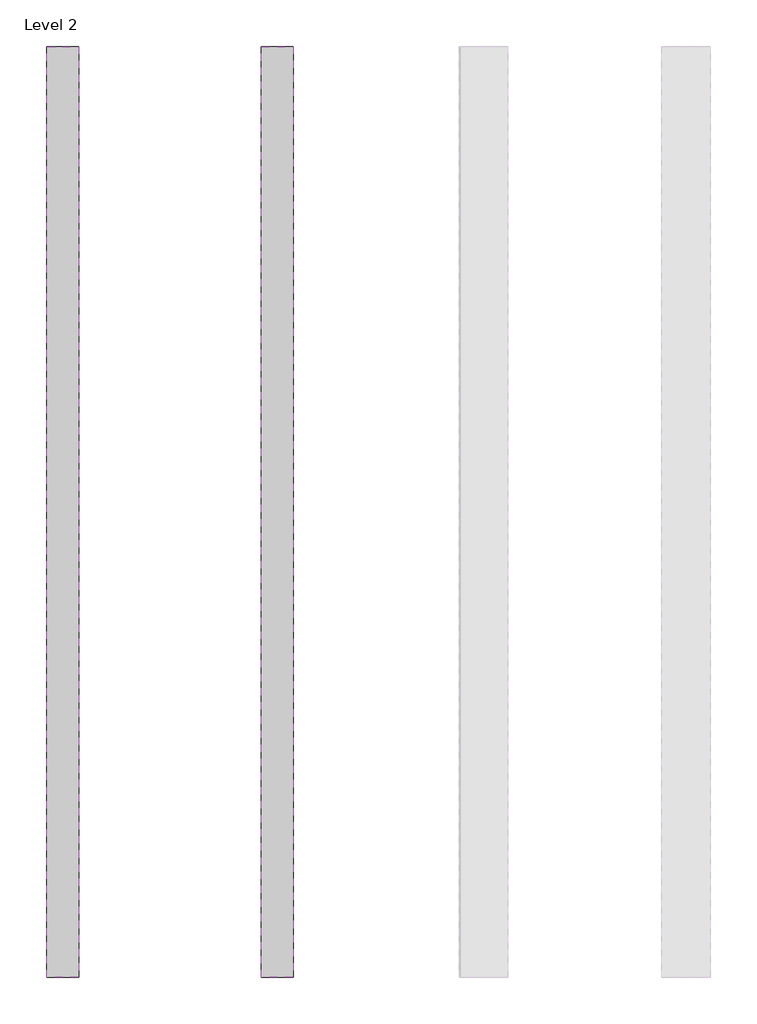
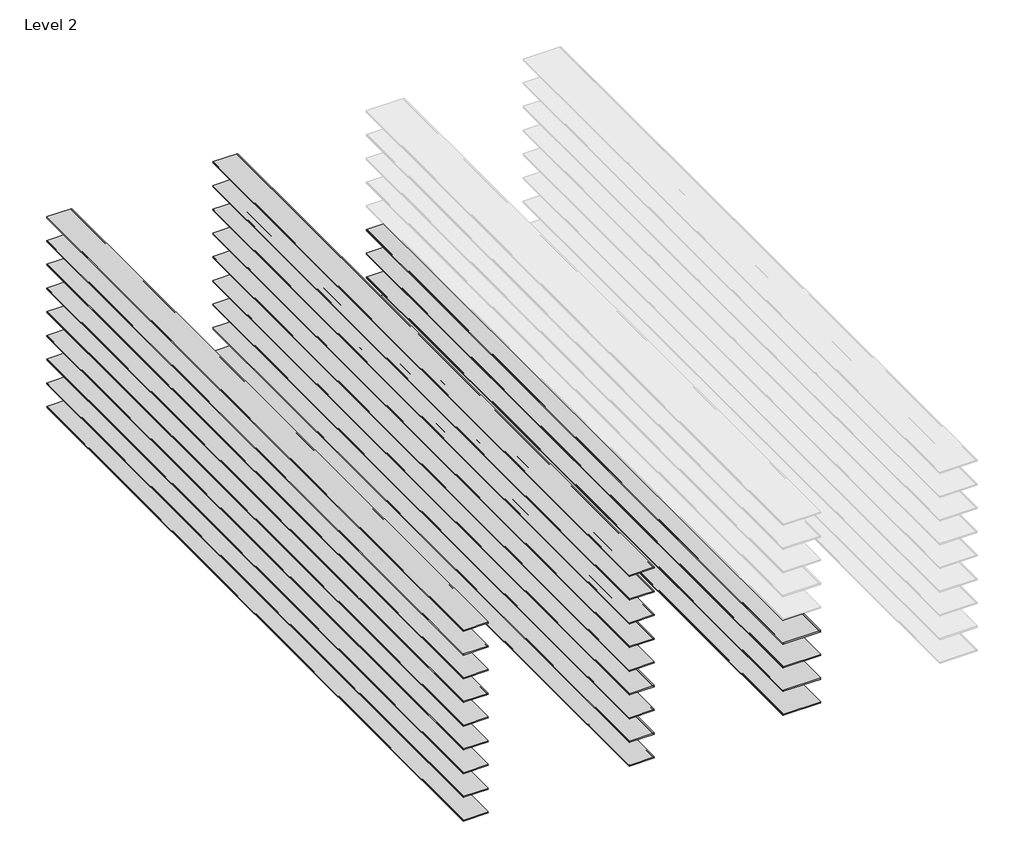
# One storey, part 1 of 2: 22 proxies.
"""IFC4 building model written with IfcOpenShell, lengths in millimetres."""

from ifc_helpers import new_model, si_unit, point, frame, frame_2d, origin, place, context, project, spatial, polyline, circle_curve, trimmed, segment, composite_curve, outline, extrude, element, save
from ifc_brep_helpers import plane_surface, revolved_surface, advanced_brep

model = new_model("IFC4")

# Units and contexts
model_context = context("Model", 3, world=origin())
ifc_project = project(units=[si_unit("LENGTHUNIT", "METRE", prefix="MILLI")], contexts=[model_context])

# Site, building, storey
site = spatial("IfcSite", under=ifc_project)
building = spatial("IfcBuilding", under=site)
storey = spatial("IfcBuildingStorey", under=building, Name="Level 2", Elevation=3048.0)

# Proxies
placement = place(None, origin())
element("IfcBuildingElementProxy", 1, Name="Reveals", at=placement, inside=storey, context=model_context, shape_type="AdvancedBrep", body=[
    advanced_brep(
    [(-16224.8026773, 3227.6377356, 3241.675), (-16224.8026773, 3227.6377356, 3251.2), (-16529.6026773, 3227.6377356, 3251.2), (-16529.6026773, 3227.6377356, 3241.675), (-16224.8026773, 9069.6377356, 3241.675), (-16529.6026773, 9069.6377356, 3241.675), (-16529.6026773, 9069.6377356, 3251.2), (-16224.8026773, 9069.6377356, 3251.2)],
    [
        (0, 1, circle_curve(frame((-16224.8026773, 3227.6377356, 3246.4375), z_axis=(0.0, 1.0, 0.0), x_axis=(1.0, 0.0, 0.0)), 4.7625)),
        (1, 2),
        (2, 3, circle_curve(frame((-16529.6026773, 3227.6377356, 3246.4375), z_axis=(0.0, 1.0, 0.0), x_axis=(1.0, 0.0, 0.0)), 4.7625)),
        (3, 0),
        (4, 5),
        (5, 6, circle_curve(frame((-16529.6026773, 9069.6377356, 3246.4375), z_axis=(0.0, -1.0, 0.0), x_axis=(1.0, 0.0, 0.0)), 4.7625)),
        (6, 7),
        (7, 4, circle_curve(frame((-16224.8026773, 9069.6377356, 3246.4375), z_axis=(0.0, -1.0, 0.0), x_axis=(1.0, 0.0, 0.0)), 4.7625)),
        (0, 4),
        (7, 1),
        (6, 2),
        (5, 3),
    ],
    [
        plane_surface(frame((-16834.5514691, 3227.6377356, 3251.2), z_axis=(0.0, -1.0, 0.0), x_axis=(0.0, 0.0, 1.0))),
        plane_surface(frame((-16834.5514691, 9069.6377356, 3251.2), z_axis=(0.0, 1.0, 0.0), x_axis=(0.0, 0.0, 1.0))),
        revolved_surface(polyline([(-16220.0401773, 9069.6377356, 3246.4375), (-16220.0401773, 3227.6377356, 3246.4375)]), (-16224.8026773, 3227.6377356, 3246.4375), (0.0, 1.0, 0.0)),
        plane_surface(frame((-16224.8026773, 3227.6377356, 3251.2), z_axis=(0.0, 0.0, 1.0), x_axis=(0.0, 1.0, 0.0))),
        revolved_surface(polyline([(-16524.8401773, 9069.6377356, 3246.4375), (-16524.8401773, 3227.6377356, 3246.4375)]), (-16529.6026773, 3227.6377356, 3246.4375), (0.0, 1.0, 0.0)),
        plane_surface(frame((-16529.6026773, 3227.6377356, 3241.675), z_axis=(0.0, 0.0, -1.0), x_axis=(0.0, 1.0, 0.0))),
    ],
    [
        (0, [[1, 2, 3, 4]]),
        (1, [[5, 6, 7, 8]]),
        (2, [[-1, 9, -8, 10]]),
        (3, [[-2, -10, -7, 11]]),
        (4, [[-3, -11, -6, 12]]),
        (5, [[-4, -12, -5, -9]]),
    ],
),
])
element("IfcBuildingElementProxy", 2, Name="Reveals", at=placement, inside=storey, context=model_context, shape_type="AdvancedBrep", body=[
    advanced_brep(
    [(-16224.8026773, 3227.6377356, 3444.875), (-16224.8026773, 3227.6377356, 3454.4), (-16529.6026773, 3227.6377356, 3454.4), (-16529.6026773, 3227.6377356, 3444.875), (-16224.8026773, 9069.6377356, 3444.875), (-16529.6026773, 9069.6377356, 3444.875), (-16529.6026773, 9069.6377356, 3454.4), (-16224.8026773, 9069.6377356, 3454.4)],
    [
        (0, 1, circle_curve(frame((-16224.8026773, 3227.6377356, 3449.6375), z_axis=(0.0, 1.0, 0.0), x_axis=(1.0, 0.0, 0.0)), 4.7625)),
        (1, 2),
        (2, 3, circle_curve(frame((-16529.6026773, 3227.6377356, 3449.6375), z_axis=(0.0, 1.0, 0.0), x_axis=(1.0, 0.0, 0.0)), 4.7625)),
        (3, 0),
        (4, 5),
        (5, 6, circle_curve(frame((-16529.6026773, 9069.6377356, 3449.6375), z_axis=(0.0, -1.0, 0.0), x_axis=(1.0, 0.0, 0.0)), 4.7625)),
        (6, 7),
        (7, 4, circle_curve(frame((-16224.8026773, 9069.6377356, 3449.6375), z_axis=(0.0, -1.0, 0.0), x_axis=(1.0, 0.0, 0.0)), 4.7625)),
        (0, 4),
        (7, 1),
        (6, 2),
        (5, 3),
    ],
    [
        plane_surface(frame((-16834.5514691, 3227.6377356, 3454.4), z_axis=(0.0, -1.0, 0.0), x_axis=(0.0, 0.0, 1.0))),
        plane_surface(frame((-16834.5514691, 9069.6377356, 3454.4), z_axis=(0.0, 1.0, 0.0), x_axis=(0.0, 0.0, 1.0))),
        revolved_surface(polyline([(-16220.0401773, 9069.6377356, 3449.6375), (-16220.0401773, 3227.6377356, 3449.6375)]), (-16224.8026773, 3227.6377356, 3449.6375), (0.0, 1.0, 0.0)),
        plane_surface(frame((-16224.8026773, 3227.6377356, 3454.4), z_axis=(0.0, 0.0, 1.0), x_axis=(0.0, 1.0, 0.0))),
        revolved_surface(polyline([(-16524.8401773, 9069.6377356, 3449.6375), (-16524.8401773, 3227.6377356, 3449.6375)]), (-16529.6026773, 3227.6377356, 3449.6375), (0.0, 1.0, 0.0)),
        plane_surface(frame((-16529.6026773, 3227.6377356, 3444.875), z_axis=(0.0, 0.0, -1.0), x_axis=(0.0, 1.0, 0.0))),
    ],
    [
        (0, [[1, 2, 3, 4]]),
        (1, [[5, 6, 7, 8]]),
        (2, [[-1, 9, -8, 10]]),
        (3, [[-2, -10, -7, 11]]),
        (4, [[-3, -11, -6, 12]]),
        (5, [[-4, -12, -5, -9]]),
    ],
),
])
element("IfcBuildingElementProxy", 3, Name="Reveals", at=placement, inside=storey, context=model_context, shape_type="AdvancedBrep", body=[
    advanced_brep(
    [(-16224.8026773, 3227.6377356, 3648.075), (-16224.8026773, 3227.6377356, 3657.6), (-16529.6026773, 3227.6377356, 3657.6), (-16529.6026773, 3227.6377356, 3648.075), (-16224.8026773, 9069.6377356, 3648.075), (-16529.6026773, 9069.6377356, 3648.075), (-16529.6026773, 9069.6377356, 3657.6), (-16224.8026773, 9069.6377356, 3657.6)],
    [
        (0, 1, circle_curve(frame((-16224.8026773, 3227.6377356, 3652.8375), z_axis=(0.0, 1.0, 0.0), x_axis=(1.0, 0.0, 0.0)), 4.7625)),
        (1, 2),
        (2, 3, circle_curve(frame((-16529.6026773, 3227.6377356, 3652.8375), z_axis=(0.0, 1.0, 0.0), x_axis=(1.0, 0.0, 0.0)), 4.7625)),
        (3, 0),
        (4, 5),
        (5, 6, circle_curve(frame((-16529.6026773, 9069.6377356, 3652.8375), z_axis=(0.0, -1.0, 0.0), x_axis=(1.0, 0.0, 0.0)), 4.7625)),
        (6, 7),
        (7, 4, circle_curve(frame((-16224.8026773, 9069.6377356, 3652.8375), z_axis=(0.0, -1.0, 0.0), x_axis=(1.0, 0.0, 0.0)), 4.7625)),
        (0, 4),
        (7, 1),
        (6, 2),
        (5, 3),
    ],
    [
        plane_surface(frame((-16834.5514691, 3227.6377356, 3657.6), z_axis=(0.0, -1.0, 0.0), x_axis=(0.0, 0.0, 1.0))),
        plane_surface(frame((-16834.5514691, 9069.6377356, 3657.6), z_axis=(0.0, 1.0, 0.0), x_axis=(0.0, 0.0, 1.0))),
        revolved_surface(polyline([(-16220.0401773, 9069.6377356, 3652.8375), (-16220.0401773, 3227.6377356, 3652.8375)]), (-16224.8026773, 3227.6377356, 3652.8375), (0.0, 1.0, 0.0)),
        plane_surface(frame((-16224.8026773, 3227.6377356, 3657.6), z_axis=(0.0, 0.0, 1.0), x_axis=(0.0, 1.0, 0.0))),
        revolved_surface(polyline([(-16524.8401773, 9069.6377356, 3652.8375), (-16524.8401773, 3227.6377356, 3652.8375)]), (-16529.6026773, 3227.6377356, 3652.8375), (0.0, 1.0, 0.0)),
        plane_surface(frame((-16529.6026773, 3227.6377356, 3648.075), z_axis=(0.0, 0.0, -1.0), x_axis=(0.0, 1.0, 0.0))),
    ],
    [
        (0, [[1, 2, 3, 4]]),
        (1, [[5, 6, 7, 8]]),
        (2, [[-1, 9, -8, 10]]),
        (3, [[-2, -10, -7, 11]]),
        (4, [[-3, -11, -6, 12]]),
        (5, [[-4, -12, -5, -9]]),
    ],
),
])
element("IfcBuildingElementProxy", 4, Name="Reveals", at=placement, inside=storey, context=model_context, shape_type="AdvancedBrep", body=[
    advanced_brep(
    [(-16224.8026773, 3227.6377356, 3851.275), (-16224.8026773, 3227.6377356, 3860.8), (-16529.6026773, 3227.6377356, 3860.8), (-16529.6026773, 3227.6377356, 3851.275), (-16224.8026773, 9069.6377356, 3851.275), (-16529.6026773, 9069.6377356, 3851.275), (-16529.6026773, 9069.6377356, 3860.8), (-16224.8026773, 9069.6377356, 3860.8)],
    [
        (0, 1, circle_curve(frame((-16224.8026773, 3227.6377356, 3856.0375), z_axis=(0.0, 1.0, 0.0), x_axis=(1.0, 0.0, 0.0)), 4.7625)),
        (1, 2),
        (2, 3, circle_curve(frame((-16529.6026773, 3227.6377356, 3856.0375), z_axis=(0.0, 1.0, 0.0), x_axis=(1.0, 0.0, 0.0)), 4.7625)),
        (3, 0),
        (4, 5),
        (5, 6, circle_curve(frame((-16529.6026773, 9069.6377356, 3856.0375), z_axis=(0.0, -1.0, 0.0), x_axis=(1.0, 0.0, 0.0)), 4.7625)),
        (6, 7),
        (7, 4, circle_curve(frame((-16224.8026773, 9069.6377356, 3856.0375), z_axis=(0.0, -1.0, 0.0), x_axis=(1.0, 0.0, 0.0)), 4.7625)),
        (0, 4),
        (7, 1),
        (6, 2),
        (5, 3),
    ],
    [
        plane_surface(frame((-16834.5514691, 3227.6377356, 3860.8), z_axis=(0.0, -1.0, 0.0), x_axis=(0.0, 0.0, 1.0))),
        plane_surface(frame((-16834.5514691, 9069.6377356, 3860.8), z_axis=(0.0, 1.0, 0.0), x_axis=(0.0, 0.0, 1.0))),
        revolved_surface(polyline([(-16220.0401773, 9069.6377356, 3856.0375), (-16220.0401773, 3227.6377356, 3856.0375)]), (-16224.8026773, 3227.6377356, 3856.0375), (0.0, 1.0, 0.0)),
        plane_surface(frame((-16224.8026773, 3227.6377356, 3860.8), z_axis=(0.0, 0.0, 1.0), x_axis=(0.0, 1.0, 0.0))),
        revolved_surface(polyline([(-16524.8401773, 9069.6377356, 3856.0375), (-16524.8401773, 3227.6377356, 3856.0375)]), (-16529.6026773, 3227.6377356, 3856.0375), (0.0, 1.0, 0.0)),
        plane_surface(frame((-16529.6026773, 3227.6377356, 3851.275), z_axis=(0.0, 0.0, -1.0), x_axis=(0.0, 1.0, 0.0))),
    ],
    [
        (0, [[1, 2, 3, 4]]),
        (1, [[5, 6, 7, 8]]),
        (2, [[-1, 9, -8, 10]]),
        (3, [[-2, -10, -7, 11]]),
        (4, [[-3, -11, -6, 12]]),
        (5, [[-4, -12, -5, -9]]),
    ],
),
])
element("IfcBuildingElementProxy", 5, Name="Reveals", at=placement, inside=storey, context=model_context, shape_type="SweptSolid", body=[
    extrude(outline(composite_curve([segment(trimmed(circle_curve(frame_2d((3246.4375, -17571.0026773)), 4.7625), [point((3241.675, -17571.0026773))], [point((3251.2, -17571.0026773))], True, "CARTESIAN"), True, "CONTINUOUS"), segment(polyline([(3251.2, -17571.0026773), (3251.2, -17774.2026773)]), True, "CONTINUOUS"), segment(trimmed(circle_curve(frame_2d((3246.4375, -17774.2026773)), 4.7625), [point((3251.2, -17774.2026773))], [point((3241.675, -17774.2026773))], True, "CARTESIAN"), True, "CONTINUOUS"), segment(polyline([(3241.675, -17774.2026773), (3241.675, -17571.0026773)]), True, "CONTINUOUS")], self_intersect=False)), frame((0.0, 3227.6377356, 0.0), z_axis=(0.0, 1.0, 0.0), x_axis=(0.0, 0.0, 1.0)), (0.0, 0.0, 1.0), 5842.0),
])
element("IfcBuildingElementProxy", 6, Name="Reveals", at=placement, inside=storey, context=model_context, shape_type="SweptSolid", body=[
    extrude(outline(composite_curve([segment(polyline([(-17571.0026773, 3444.875), (-17774.2026773, 3444.875)]), True, "CONTINUOUS"), segment(trimmed(circle_curve(frame_2d((-17774.2026773, 3449.6375)), 4.7625), [point((-17774.2026773, 3444.875))], [point((-17774.2026773, 3454.4))], True, "CARTESIAN"), True, "CONTINUOUS"), segment(polyline([(-17774.2026773, 3454.4), (-17571.0026773, 3454.4)]), True, "CONTINUOUS"), segment(trimmed(circle_curve(frame_2d((-17571.0026773, 3449.6375)), 4.7625), [point((-17571.0026773, 3454.4))], [point((-17571.0026773, 3444.875))], True, "CARTESIAN"), True, "CONTINUOUS")], self_intersect=False)), frame((0.0, 9069.6377356, 0.0), z_axis=(0.0, -1.0, 0.0), x_axis=(1.0, 0.0, 0.0)), (0.0, 0.0, 1.0), 5842.0),
])
element("IfcBuildingElementProxy", 7, Name="Reveals", at=placement, inside=storey, context=model_context, shape_type="SweptSolid", body=[
    extrude(outline(composite_curve([segment(polyline([(-17571.0026773, 3648.075), (-17774.2026773, 3648.075)]), True, "CONTINUOUS"), segment(trimmed(circle_curve(frame_2d((-17774.2026773, 3652.8375)), 4.7625), [point((-17774.2026773, 3648.075))], [point((-17774.2026773, 3657.6))], True, "CARTESIAN"), True, "CONTINUOUS"), segment(polyline([(-17774.2026773, 3657.6), (-17571.0026773, 3657.6)]), True, "CONTINUOUS"), segment(trimmed(circle_curve(frame_2d((-17571.0026773, 3652.8375)), 4.7625), [point((-17571.0026773, 3657.6))], [point((-17571.0026773, 3648.075))], True, "CARTESIAN"), True, "CONTINUOUS")], self_intersect=False)), frame((0.0, 9069.6377356, 0.0), z_axis=(0.0, -1.0, 0.0), x_axis=(1.0, 0.0, 0.0)), (0.0, 0.0, 1.0), 5842.0),
])
element("IfcBuildingElementProxy", 8, Name="Reveals", at=placement, inside=storey, context=model_context, shape_type="AdvancedBrep", body=[
    advanced_brep(
    [(-17571.0026773, 3227.6377356, 3851.275), (-17571.0026773, 3227.6377356, 3860.8), (-17774.2026773, 3227.6377356, 3860.8), (-17774.2026773, 3227.6377356, 3851.275), (-17571.0026773, 9069.6377356, 3851.275), (-17774.2026773, 9069.6377356, 3851.275), (-17774.2026773, 9069.6377356, 3860.8), (-17571.0026773, 9069.6377356, 3860.8)],
    [
        (0, 1, circle_curve(frame((-17571.0026773, 3227.6377356, 3856.0375), z_axis=(0.0, 1.0, 0.0), x_axis=(1.0, 0.0, 0.0)), 4.7625)),
        (1, 2),
        (2, 3, circle_curve(frame((-17774.2026773, 3227.6377356, 3856.0375), z_axis=(0.0, 1.0, 0.0), x_axis=(1.0, 0.0, 0.0)), 4.7625)),
        (3, 0),
        (4, 5),
        (5, 6, circle_curve(frame((-17774.2026773, 9069.6377356, 3856.0375), z_axis=(0.0, -1.0, 0.0), x_axis=(1.0, 0.0, 0.0)), 4.7625)),
        (6, 7),
        (7, 4, circle_curve(frame((-17571.0026773, 9069.6377356, 3856.0375), z_axis=(0.0, -1.0, 0.0), x_axis=(1.0, 0.0, 0.0)), 4.7625)),
        (0, 4),
        (7, 1),
        (6, 2),
        (5, 3),
    ],
    [
        plane_surface(frame((-17977.625797, 3227.6377356, 3860.8), z_axis=(0.0, -1.0, 0.0), x_axis=(0.0, 0.0, 1.0))),
        plane_surface(frame((-17977.625797, 9069.6377356, 3860.8), z_axis=(0.0, 1.0, 0.0), x_axis=(0.0, 0.0, 1.0))),
        revolved_surface(polyline([(-17566.2401773, 9069.6377356, 3856.0375), (-17566.2401773, 3227.6377356, 3856.0375)]), (-17571.0026773, 3227.6377356, 3856.0375), (0.0, 1.0, 0.0)),
        plane_surface(frame((-17571.0026773, 3227.6377356, 3860.8), z_axis=(0.0, 0.0, 1.0), x_axis=(0.0, 1.0, 0.0))),
        revolved_surface(polyline([(-17769.4401773, 9069.6377356, 3856.0375), (-17769.4401773, 3227.6377356, 3856.0375)]), (-17774.2026773, 3227.6377356, 3856.0375), (0.0, 1.0, 0.0)),
        plane_surface(frame((-17774.2026773, 3227.6377356, 3851.275), z_axis=(0.0, 0.0, -1.0), x_axis=(0.0, 1.0, 0.0))),
    ],
    [
        (0, [[1, 2, 3, 4]]),
        (1, [[5, 6, 7, 8]]),
        (2, [[-1, 9, -8, 10]]),
        (3, [[-2, -10, -7, 11]]),
        (4, [[-3, -11, -6, 12]]),
        (5, [[-4, -12, -5, -9]]),
    ],
),
])
element("IfcBuildingElementProxy", 9, Name="Reveals", at=placement, inside=storey, context=model_context, shape_type="AdvancedBrep", body=[
    advanced_brep(
    [(-17571.0026773, 3227.6377356, 4054.475), (-17571.0026773, 3227.6377356, 4064.0), (-17774.2026773, 3227.6377356, 4064.0), (-17774.2026773, 3227.6377356, 4054.475), (-17571.0026773, 9069.6377356, 4054.475), (-17774.2026773, 9069.6377356, 4054.475), (-17774.2026773, 9069.6377356, 4064.0), (-17571.0026773, 9069.6377356, 4064.0)],
    [
        (0, 1, circle_curve(frame((-17571.0026773, 3227.6377356, 4059.2375), z_axis=(0.0, 1.0, 0.0), x_axis=(1.0, 0.0, 0.0)), 4.7625)),
        (1, 2),
        (2, 3, circle_curve(frame((-17774.2026773, 3227.6377356, 4059.2375), z_axis=(0.0, 1.0, 0.0), x_axis=(1.0, 0.0, 0.0)), 4.7625)),
        (3, 0),
        (4, 5),
        (5, 6, circle_curve(frame((-17774.2026773, 9069.6377356, 4059.2375), z_axis=(0.0, -1.0, 0.0), x_axis=(1.0, 0.0, 0.0)), 4.7625)),
        (6, 7),
        (7, 4, circle_curve(frame((-17571.0026773, 9069.6377356, 4059.2375), z_axis=(0.0, -1.0, 0.0), x_axis=(1.0, 0.0, 0.0)), 4.7625)),
        (0, 4),
        (7, 1),
        (6, 2),
        (5, 3),
    ],
    [
        plane_surface(frame((-17977.625797, 3227.6377356, 4064.0), z_axis=(0.0, -1.0, 0.0), x_axis=(0.0, 0.0, 1.0))),
        plane_surface(frame((-17977.625797, 9069.6377356, 4064.0), z_axis=(0.0, 1.0, 0.0), x_axis=(0.0, 0.0, 1.0))),
        revolved_surface(polyline([(-17566.2401773, 9069.6377356, 4059.2375), (-17566.2401773, 3227.6377356, 4059.2375)]), (-17571.0026773, 3227.6377356, 4059.2375), (0.0, 1.0, 0.0)),
        plane_surface(frame((-17571.0026773, 3227.6377356, 4064.0), z_axis=(0.0, 0.0, 1.0), x_axis=(0.0, 1.0, 0.0))),
        revolved_surface(polyline([(-17769.4401773, 9069.6377356, 4059.2375), (-17769.4401773, 3227.6377356, 4059.2375)]), (-17774.2026773, 3227.6377356, 4059.2375), (0.0, 1.0, 0.0)),
        plane_surface(frame((-17774.2026773, 3227.6377356, 4054.475), z_axis=(0.0, 0.0, -1.0), x_axis=(0.0, 1.0, 0.0))),
    ],
    [
        (0, [[1, 2, 3, 4]]),
        (1, [[5, 6, 7, 8]]),
        (2, [[-1, 9, -8, 10]]),
        (3, [[-2, -10, -7, 11]]),
        (4, [[-3, -11, -6, 12]]),
        (5, [[-4, -12, -5, -9]]),
    ],
),
])
element("IfcBuildingElementProxy", 10, Name="Reveals", at=placement, inside=storey, context=model_context, shape_type="SweptSolid", body=[
    extrude(outline(composite_curve([segment(trimmed(circle_curve(frame_2d((4262.4375, -17571.0026773)), 4.7625), [point((4257.675, -17571.0026773))], [point((4267.2, -17571.0026773))], True, "CARTESIAN"), True, "CONTINUOUS"), segment(polyline([(4267.2, -17571.0026773), (4267.2, -17774.2026773)]), True, "CONTINUOUS"), segment(trimmed(circle_curve(frame_2d((4262.4375, -17774.2026773)), 4.7625), [point((4267.2, -17774.2026773))], [point((4257.675, -17774.2026773))], True, "CARTESIAN"), True, "CONTINUOUS"), segment(polyline([(4257.675, -17774.2026773), (4257.675, -17571.0026773)]), True, "CONTINUOUS")], self_intersect=False)), frame((0.0, 3227.6377356, 0.0), z_axis=(0.0, 1.0, 0.0), x_axis=(0.0, 0.0, 1.0)), (0.0, 0.0, 1.0), 5842.0),
])
element("IfcBuildingElementProxy", 11, Name="Reveals", at=placement, inside=storey, context=model_context, shape_type="SweptSolid", body=[
    extrude(outline(composite_curve([segment(trimmed(circle_curve(frame_2d((4465.6375, -17571.0026773)), 4.7625), [point((4460.875, -17571.0026773))], [point((4470.4, -17571.0026773))], True, "CARTESIAN"), True, "CONTINUOUS"), segment(polyline([(4470.4, -17571.0026773), (4470.4, -17774.2026773)]), True, "CONTINUOUS"), segment(trimmed(circle_curve(frame_2d((4465.6375, -17774.2026773)), 4.7625), [point((4470.4, -17774.2026773))], [point((4460.875, -17774.2026773))], True, "CARTESIAN"), True, "CONTINUOUS"), segment(polyline([(4460.875, -17774.2026773), (4460.875, -17571.0026773)]), True, "CONTINUOUS")], self_intersect=False)), frame((0.0, 3227.6377356, 0.0), z_axis=(0.0, 1.0, 0.0), x_axis=(0.0, 0.0, 1.0)), (0.0, 0.0, 1.0), 5842.0),
])
element("IfcBuildingElementProxy", 12, Name="Reveals", at=placement, inside=storey, context=model_context, shape_type="SweptSolid", body=[
    extrude(outline(composite_curve([segment(trimmed(circle_curve(frame_2d((4668.8375, -17571.0026773)), 4.7625), [point((4664.075, -17571.0026773))], [point((4673.6, -17571.0026773))], True, "CARTESIAN"), True, "CONTINUOUS"), segment(polyline([(4673.6, -17571.0026773), (4673.6, -17774.2026773)]), True, "CONTINUOUS"), segment(trimmed(circle_curve(frame_2d((4668.8375, -17774.2026773)), 4.7625), [point((4673.6, -17774.2026773))], [point((4664.075, -17774.2026773))], True, "CARTESIAN"), True, "CONTINUOUS"), segment(polyline([(4664.075, -17774.2026773), (4664.075, -17571.0026773)]), True, "CONTINUOUS")], self_intersect=False)), frame((0.0, 3227.6377356, 0.0), z_axis=(0.0, 1.0, 0.0), x_axis=(0.0, 0.0, 1.0)), (0.0, 0.0, 1.0), 5842.0),
])
element("IfcBuildingElementProxy", 13, Name="Reveals", at=placement, inside=storey, context=model_context, shape_type="SweptSolid", body=[
    extrude(outline(composite_curve([segment(trimmed(circle_curve(frame_2d((4872.0375, -17571.0026773)), 4.7625), [point((4867.275, -17571.0026773))], [point((4876.8, -17571.0026773))], True, "CARTESIAN"), True, "CONTINUOUS"), segment(polyline([(4876.8, -17571.0026773), (4876.8, -17774.2026773)]), True, "CONTINUOUS"), segment(trimmed(circle_curve(frame_2d((4872.0375, -17774.2026773)), 4.7625), [point((4876.8, -17774.2026773))], [point((4867.275, -17774.2026773))], True, "CARTESIAN"), True, "CONTINUOUS"), segment(polyline([(4867.275, -17774.2026773), (4867.275, -17571.0026773)]), True, "CONTINUOUS")], self_intersect=False)), frame((0.0, 3227.6377356, 0.0), z_axis=(0.0, 1.0, 0.0), x_axis=(0.0, 0.0, 1.0)), (0.0, 0.0, 1.0), 5842.0),
])
element("IfcBuildingElementProxy", 14, Name="Reveals", at=placement, inside=storey, context=model_context, shape_type="SweptSolid", body=[
    extrude(outline(composite_curve([segment(trimmed(circle_curve(frame_2d((3246.4375, -18917.2026773)), 4.7625), [point((3241.675, -18917.2026773))], [point((3251.2, -18917.2026773))], True, "CARTESIAN"), True, "CONTINUOUS"), segment(polyline([(3251.2, -18917.2026773), (3251.2, -19120.4026773)]), True, "CONTINUOUS"), segment(trimmed(circle_curve(frame_2d((3246.4375, -19120.4026773)), 4.7625), [point((3251.2, -19120.4026773))], [point((3241.675, -19120.4026773))], True, "CARTESIAN"), True, "CONTINUOUS"), segment(polyline([(3241.675, -19120.4026773), (3241.675, -18917.2026773)]), True, "CONTINUOUS")], self_intersect=False)), frame((0.0, 3227.6377356, 0.0), z_axis=(0.0, 1.0, 0.0), x_axis=(0.0, 0.0, 1.0)), (0.0, 0.0, 1.0), 5842.0),
])
element("IfcBuildingElementProxy", 15, Name="Reveals", at=placement, inside=storey, context=model_context, shape_type="SweptSolid", body=[
    extrude(outline(composite_curve([segment(polyline([(-18917.2026773, 3444.875), (-19120.4026773, 3444.875)]), True, "CONTINUOUS"), segment(trimmed(circle_curve(frame_2d((-19120.4026773, 3449.6375)), 4.7625), [point((-19120.4026773, 3444.875))], [point((-19120.4026773, 3454.4))], True, "CARTESIAN"), True, "CONTINUOUS"), segment(polyline([(-19120.4026773, 3454.4), (-18917.2026773, 3454.4)]), True, "CONTINUOUS"), segment(trimmed(circle_curve(frame_2d((-18917.2026773, 3449.6375)), 4.7625), [point((-18917.2026773, 3454.4))], [point((-18917.2026773, 3444.875))], True, "CARTESIAN"), True, "CONTINUOUS")], self_intersect=False)), frame((0.0, 9069.6377356, 0.0), z_axis=(0.0, -1.0, 0.0), x_axis=(1.0, 0.0, 0.0)), (0.0, 0.0, 1.0), 5842.0),
])
element("IfcBuildingElementProxy", 16, Name="Reveals", at=placement, inside=storey, context=model_context, shape_type="SweptSolid", body=[
    extrude(outline(composite_curve([segment(polyline([(-18917.2026773, 3648.075), (-19120.4026773, 3648.075)]), True, "CONTINUOUS"), segment(trimmed(circle_curve(frame_2d((-19120.4026773, 3652.8375)), 4.7625), [point((-19120.4026773, 3648.075))], [point((-19120.4026773, 3657.6))], True, "CARTESIAN"), True, "CONTINUOUS"), segment(polyline([(-19120.4026773, 3657.6), (-18917.2026773, 3657.6)]), True, "CONTINUOUS"), segment(trimmed(circle_curve(frame_2d((-18917.2026773, 3652.8375)), 4.7625), [point((-18917.2026773, 3657.6))], [point((-18917.2026773, 3648.075))], True, "CARTESIAN"), True, "CONTINUOUS")], self_intersect=False)), frame((0.0, 9069.6377356, 0.0), z_axis=(0.0, -1.0, 0.0), x_axis=(1.0, 0.0, 0.0)), (0.0, 0.0, 1.0), 5842.0),
])
element("IfcBuildingElementProxy", 17, Name="Reveals", at=placement, inside=storey, context=model_context, shape_type="AdvancedBrep", body=[
    advanced_brep(
    [(-18917.2026773, 3227.6377356, 3851.275), (-18917.2026773, 3227.6377356, 3860.8), (-19120.4026773, 3227.6377356, 3860.8), (-19120.4026773, 3227.6377356, 3851.275), (-18917.2026773, 9069.6377356, 3851.275), (-19120.4026773, 9069.6377356, 3851.275), (-19120.4026773, 9069.6377356, 3860.8), (-18917.2026773, 9069.6377356, 3860.8)],
    [
        (0, 1, circle_curve(frame((-18917.2026773, 3227.6377356, 3856.0375), z_axis=(0.0, 1.0, 0.0), x_axis=(1.0, 0.0, 0.0)), 4.7625)),
        (1, 2),
        (2, 3, circle_curve(frame((-19120.4026773, 3227.6377356, 3856.0375), z_axis=(0.0, 1.0, 0.0), x_axis=(1.0, 0.0, 0.0)), 4.7625)),
        (3, 0),
        (4, 5),
        (5, 6, circle_curve(frame((-19120.4026773, 9069.6377356, 3856.0375), z_axis=(0.0, -1.0, 0.0), x_axis=(1.0, 0.0, 0.0)), 4.7625)),
        (6, 7),
        (7, 4, circle_curve(frame((-18917.2026773, 9069.6377356, 3856.0375), z_axis=(0.0, -1.0, 0.0), x_axis=(1.0, 0.0, 0.0)), 4.7625)),
        (0, 4),
        (7, 1),
        (6, 2),
        (5, 3),
    ],
    [
        plane_surface(frame((-19323.825797, 3227.6377356, 3860.8), z_axis=(0.0, -1.0, 0.0), x_axis=(0.0, 0.0, 1.0))),
        plane_surface(frame((-19323.825797, 9069.6377356, 3860.8), z_axis=(0.0, 1.0, 0.0), x_axis=(0.0, 0.0, 1.0))),
        revolved_surface(polyline([(-18912.4401773, 9069.6377356, 3856.0375), (-18912.4401773, 3227.6377356, 3856.0375)]), (-18917.2026773, 3227.6377356, 3856.0375), (0.0, 1.0, 0.0)),
        plane_surface(frame((-18917.2026773, 3227.6377356, 3860.8), z_axis=(0.0, 0.0, 1.0), x_axis=(0.0, 1.0, 0.0))),
        revolved_surface(polyline([(-19115.6401773, 9069.6377356, 3856.0375), (-19115.6401773, 3227.6377356, 3856.0375)]), (-19120.4026773, 3227.6377356, 3856.0375), (0.0, 1.0, 0.0)),
        plane_surface(frame((-19120.4026773, 3227.6377356, 3851.275), z_axis=(0.0, 0.0, -1.0), x_axis=(0.0, 1.0, 0.0))),
    ],
    [
        (0, [[1, 2, 3, 4]]),
        (1, [[5, 6, 7, 8]]),
        (2, [[-1, 9, -8, 10]]),
        (3, [[-2, -10, -7, 11]]),
        (4, [[-3, -11, -6, 12]]),
        (5, [[-4, -12, -5, -9]]),
    ],
),
])
element("IfcBuildingElementProxy", 18, Name="Reveals", at=placement, inside=storey, context=model_context, shape_type="AdvancedBrep", body=[
    advanced_brep(
    [(-18917.2026773, 3227.6377356, 4054.475), (-18917.2026773, 3227.6377356, 4064.0), (-19120.4026773, 3227.6377356, 4064.0), (-19120.4026773, 3227.6377356, 4054.475), (-18917.2026773, 9069.6377356, 4054.475), (-19120.4026773, 9069.6377356, 4054.475), (-19120.4026773, 9069.6377356, 4064.0), (-18917.2026773, 9069.6377356, 4064.0)],
    [
        (0, 1, circle_curve(frame((-18917.2026773, 3227.6377356, 4059.2375), z_axis=(0.0, 1.0, 0.0), x_axis=(1.0, 0.0, 0.0)), 4.7625)),
        (1, 2),
        (2, 3, circle_curve(frame((-19120.4026773, 3227.6377356, 4059.2375), z_axis=(0.0, 1.0, 0.0), x_axis=(1.0, 0.0, 0.0)), 4.7625)),
        (3, 0),
        (4, 5),
        (5, 6, circle_curve(frame((-19120.4026773, 9069.6377356, 4059.2375), z_axis=(0.0, -1.0, 0.0), x_axis=(1.0, 0.0, 0.0)), 4.7625)),
        (6, 7),
        (7, 4, circle_curve(frame((-18917.2026773, 9069.6377356, 4059.2375), z_axis=(0.0, -1.0, 0.0), x_axis=(1.0, 0.0, 0.0)), 4.7625)),
        (0, 4),
        (7, 1),
        (6, 2),
        (5, 3),
    ],
    [
        plane_surface(frame((-19323.825797, 3227.6377356, 4064.0), z_axis=(0.0, -1.0, 0.0), x_axis=(0.0, 0.0, 1.0))),
        plane_surface(frame((-19323.825797, 9069.6377356, 4064.0), z_axis=(0.0, 1.0, 0.0), x_axis=(0.0, 0.0, 1.0))),
        revolved_surface(polyline([(-18912.4401773, 9069.6377356, 4059.2375), (-18912.4401773, 3227.6377356, 4059.2375)]), (-18917.2026773, 3227.6377356, 4059.2375), (0.0, 1.0, 0.0)),
        plane_surface(frame((-18917.2026773, 3227.6377356, 4064.0), z_axis=(0.0, 0.0, 1.0), x_axis=(0.0, 1.0, 0.0))),
        revolved_surface(polyline([(-19115.6401773, 9069.6377356, 4059.2375), (-19115.6401773, 3227.6377356, 4059.2375)]), (-19120.4026773, 3227.6377356, 4059.2375), (0.0, 1.0, 0.0)),
        plane_surface(frame((-19120.4026773, 3227.6377356, 4054.475), z_axis=(0.0, 0.0, -1.0), x_axis=(0.0, 1.0, 0.0))),
    ],
    [
        (0, [[1, 2, 3, 4]]),
        (1, [[5, 6, 7, 8]]),
        (2, [[-1, 9, -8, 10]]),
        (3, [[-2, -10, -7, 11]]),
        (4, [[-3, -11, -6, 12]]),
        (5, [[-4, -12, -5, -9]]),
    ],
),
])
element("IfcBuildingElementProxy", 19, Name="Reveals", at=placement, inside=storey, context=model_context, shape_type="SweptSolid", body=[
    extrude(outline(composite_curve([segment(trimmed(circle_curve(frame_2d((4262.4375, -18917.2026773)), 4.7625), [point((4257.675, -18917.2026773))], [point((4267.2, -18917.2026773))], True, "CARTESIAN"), True, "CONTINUOUS"), segment(polyline([(4267.2, -18917.2026773), (4267.2, -19120.4026773)]), True, "CONTINUOUS"), segment(trimmed(circle_curve(frame_2d((4262.4375, -19120.4026773)), 4.7625), [point((4267.2, -19120.4026773))], [point((4257.675, -19120.4026773))], True, "CARTESIAN"), True, "CONTINUOUS"), segment(polyline([(4257.675, -19120.4026773), (4257.675, -18917.2026773)]), True, "CONTINUOUS")], self_intersect=False)), frame((0.0, 3227.6377356, 0.0), z_axis=(0.0, 1.0, 0.0), x_axis=(0.0, 0.0, 1.0)), (0.0, 0.0, 1.0), 5842.0),
])
element("IfcBuildingElementProxy", 20, Name="Reveals", at=placement, inside=storey, context=model_context, shape_type="SweptSolid", body=[
    extrude(outline(composite_curve([segment(trimmed(circle_curve(frame_2d((4465.6375, -18917.2026773)), 4.7625), [point((4460.875, -18917.2026773))], [point((4470.4, -18917.2026773))], True, "CARTESIAN"), True, "CONTINUOUS"), segment(polyline([(4470.4, -18917.2026773), (4470.4, -19120.4026773)]), True, "CONTINUOUS"), segment(trimmed(circle_curve(frame_2d((4465.6375, -19120.4026773)), 4.7625), [point((4470.4, -19120.4026773))], [point((4460.875, -19120.4026773))], True, "CARTESIAN"), True, "CONTINUOUS"), segment(polyline([(4460.875, -19120.4026773), (4460.875, -18917.2026773)]), True, "CONTINUOUS")], self_intersect=False)), frame((0.0, 3227.6377356, 0.0), z_axis=(0.0, 1.0, 0.0), x_axis=(0.0, 0.0, 1.0)), (0.0, 0.0, 1.0), 5842.0),
])
element("IfcBuildingElementProxy", 21, Name="Reveals", at=placement, inside=storey, context=model_context, shape_type="SweptSolid", body=[
    extrude(outline(composite_curve([segment(trimmed(circle_curve(frame_2d((4668.8375, -18917.2026773)), 4.7625), [point((4664.075, -18917.2026773))], [point((4673.6, -18917.2026773))], True, "CARTESIAN"), True, "CONTINUOUS"), segment(polyline([(4673.6, -18917.2026773), (4673.6, -19120.4026773)]), True, "CONTINUOUS"), segment(trimmed(circle_curve(frame_2d((4668.8375, -19120.4026773)), 4.7625), [point((4673.6, -19120.4026773))], [point((4664.075, -19120.4026773))], True, "CARTESIAN"), True, "CONTINUOUS"), segment(polyline([(4664.075, -19120.4026773), (4664.075, -18917.2026773)]), True, "CONTINUOUS")], self_intersect=False)), frame((0.0, 3227.6377356, 0.0), z_axis=(0.0, 1.0, 0.0), x_axis=(0.0, 0.0, 1.0)), (0.0, 0.0, 1.0), 5842.0),
])
element("IfcBuildingElementProxy", 22, Name="Reveals", at=placement, inside=storey, context=model_context, shape_type="SweptSolid", body=[
    extrude(outline(composite_curve([segment(trimmed(circle_curve(frame_2d((4872.0375, -18917.2026773)), 4.7625), [point((4867.275, -18917.2026773))], [point((4876.8, -18917.2026773))], True, "CARTESIAN"), True, "CONTINUOUS"), segment(polyline([(4876.8, -18917.2026773), (4876.8, -19120.4026773)]), True, "CONTINUOUS"), segment(trimmed(circle_curve(frame_2d((4872.0375, -19120.4026773)), 4.7625), [point((4876.8, -19120.4026773))], [point((4867.275, -19120.4026773))], True, "CARTESIAN"), True, "CONTINUOUS"), segment(polyline([(4867.275, -19120.4026773), (4867.275, -18917.2026773)]), True, "CONTINUOUS")], self_intersect=False)), frame((0.0, 3227.6377356, 0.0), z_axis=(0.0, 1.0, 0.0), x_axis=(0.0, 0.0, 1.0)), (0.0, 0.0, 1.0), 5842.0),
])

save(model, "model.ifc")
